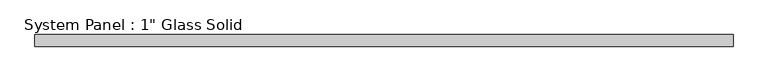
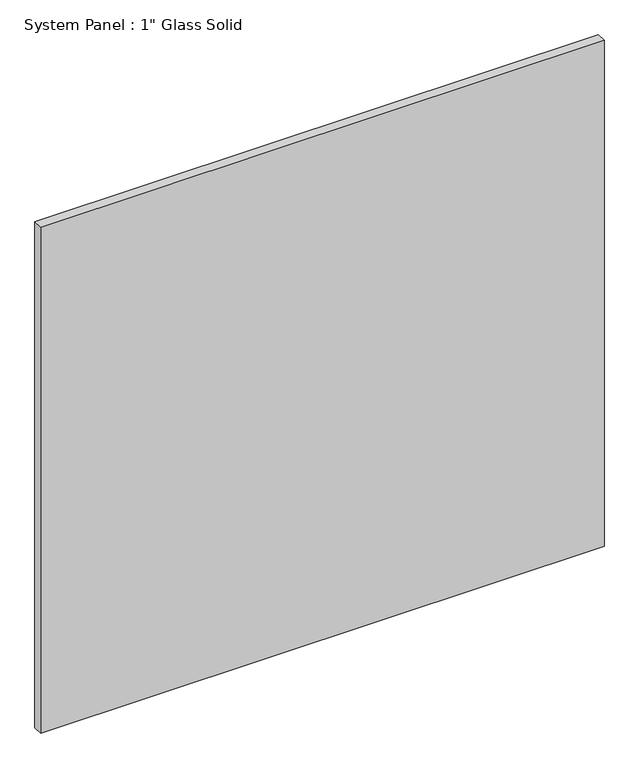
"""IFC4 building model written with IfcOpenShell, lengths in millimetres: plate geometry."""

import ifcopenshell
import ifcopenshell.guid

model = None  # the IFC model being written
_history = None  # IfcOwnerHistory: only IFC2X3 demands one
_inside = {}  # id of a spatial element -> (the spatial element, [elements in it])
_under = {}  # id of a project, library or spatial element -> (it, [spatial elements below it])
_declared = {}  # id of a project -> (the project, [libraries it declares])
_typed = {}  # id of a type object -> (the type object, [elements of that type])
_made_of = {}  # id of a material, layer set ... -> (it, [elements and type objects made of it])


def new_model(schema):
    """Start an empty IFC model of exactly this schema.

    Asked for "IFC4X3", IfcOpenShell would pick the latest addendum, in which some entities
    have other attributes; the version numbers below select the first issue.
    IFC2X3 requires an IfcOwnerHistory on every rooted entity: one is made here for all.
    """
    global model, _history
    if schema == "IFC4X3":
        model = ifcopenshell.file(schema_version=(4, 3, 0, 0))
    else:
        model = ifcopenshell.file(schema=schema)
    _inside.clear()
    _under.clear()
    _declared.clear()
    _typed.clear()
    _made_of.clear()
    _history = None
    if model.schema == "IFC2X3":
        org = make("IfcOrganization", Name="unknown")
        user = make(
            "IfcPersonAndOrganization",
            ThePerson=make("IfcPerson", FamilyName="unknown"),
            TheOrganization=org,
        )
        app = make(
            "IfcApplication",
            ApplicationDeveloper=org,
            Version="unknown",
            ApplicationFullName="unknown",
            ApplicationIdentifier="unknown",
        )
        _history = make(
            "IfcOwnerHistory",
            OwningUser=user,
            OwningApplication=app,
            ChangeAction="ADDED",
            CreationDate=0,
        )
    return model


def make(cls, **values):
    """One entity of the class cls with the attributes given. An attribute that is None is left unset."""
    return model.create_entity(
        cls, **{name: value for name, value in values.items() if value is not None}
    )


def rooted(cls, **values):
    """An entity with a GlobalId (a new one), such as an element, a storey or a relation."""
    return make(cls, GlobalId=ifcopenshell.guid.new(), OwnerHistory=_history, **values)


def si_unit(unit_type, name, prefix=None):
    """IfcSIUnit, for example si_unit("LENGTHUNIT", "METRE", prefix="MILLI")."""
    return make("IfcSIUnit", UnitType=unit_type, Prefix=prefix, Name=name)


def assignment(units):
    """IfcUnitAssignment: the units of a project."""
    return None if units is None else make("IfcUnitAssignment", Units=units)


def point(xyz):
    """IfcCartesianPoint."""
    return None if xyz is None else make("IfcCartesianPoint", Coordinates=xyz)


def direction(xyz):
    """IfcDirection."""
    return None if xyz is None else make("IfcDirection", DirectionRatios=xyz)


def frame(location, z_axis=None, x_axis=None):
    """IfcAxis2Placement3D, a coordinate frame: its origin and axes. An axis left out is left unset."""
    return make(
        "IfcAxis2Placement3D",
        Location=point(location),
        Axis=direction(z_axis),
        RefDirection=direction(x_axis),
    )


def origin():
    """The frame at (0, 0, 0) with its axes left unset."""
    return frame((0.0, 0.0, 0.0))


def origin_with_axes():
    """The frame at (0, 0, 0) with the z axis (0, 0, 1) and the x axis (1, 0, 0) written out."""
    return frame((0.0, 0.0, 0.0), z_axis=(0.0, 0.0, 1.0), x_axis=(1.0, 0.0, 0.0))


def place(relative_to, where):
    """IfcLocalPlacement: puts the frame where relative to a parent placement (None: the world)."""
    return make(
        "IfcLocalPlacement", PlacementRelTo=relative_to, RelativePlacement=where
    )


def context(
    kind, dimensions, precision=None, world=None, true_north=None, identifier=None
):
    """IfcGeometricRepresentationContext, for example the 3D "Model" context."""
    return make(
        "IfcGeometricRepresentationContext",
        ContextIdentifier=identifier,
        ContextType=kind,
        CoordinateSpaceDimension=dimensions,
        Precision=precision,
        WorldCoordinateSystem=world,
        TrueNorth=true_north,
    )


def project(units=None, contexts=None):
    """IfcProject with its units and contexts."""
    return rooted(
        "IfcProject",
        Name="project",
        RepresentationContexts=contexts,
        UnitsInContext=assignment(units),
    )


def spatial(cls, under=None, at=None, **own):
    """A site, building, storey or space (cls), placed at a placement, below another one or the project."""
    s = rooted(cls, ObjectPlacement=at, **own)
    if under is not None:
        _under.setdefault(under.id(), (under, []))[1].append(s)
    return s


def polyline(points):
    """IfcPolyline through the points."""
    return make("IfcPolyline", Points=[point(p) for p in points])


def outline(outer, holes=None, kind="AREA"):
    """IfcArbitraryClosedProfileDef: a profile drawn as a closed curve; with holes, ...WithVoids."""
    if holes is None:
        return make("IfcArbitraryClosedProfileDef", ProfileType=kind, OuterCurve=outer)
    return make(
        "IfcArbitraryProfileDefWithVoids",
        ProfileType=kind,
        OuterCurve=outer,
        InnerCurves=holes,
    )


def extrude(swept, where, along, depth):
    """IfcExtrudedAreaSolid: the profile swept, set in the frame where, extruded along a direction by depth."""
    return make(
        "IfcExtrudedAreaSolid",
        SweptArea=swept,
        Position=where,
        ExtrudedDirection=direction(along),
        Depth=depth,
    )


def shape(context_of_items, identifier, shape_type, items):
    """IfcShapeRepresentation: the items that make up one representation, for example the "Body"."""
    return make(
        "IfcShapeRepresentation",
        ContextOfItems=context_of_items,
        RepresentationIdentifier=identifier,
        RepresentationType=shape_type,
        Items=items,
    )


def source(mapping_origin, context_of_items, identifier, shape_type, items):
    """IfcRepresentationMap: a shape defined once, which mapped items show again and again."""
    return make(
        "IfcRepresentationMap",
        MappingOrigin=mapping_origin,
        MappedRepresentation=shape(context_of_items, identifier, shape_type, items),
    )


def transform(
    local_origin,
    x_axis=None,
    y_axis=None,
    z_axis=None,
    scale=None,
    scale2=None,
    scale3=None,
    uniform=True,
):
    """IfcCartesianTransformationOperator3D, or its non-uniform kind. x_axis, y_axis, z_axis: its Axis1, 2, 3."""
    if uniform:
        return make(
            "IfcCartesianTransformationOperator3D",
            Axis1=direction(x_axis),
            Axis2=direction(y_axis),
            LocalOrigin=point(local_origin),
            Scale=scale,
            Axis3=direction(z_axis),
        )
    return make(
        "IfcCartesianTransformationOperator3DnonUniform",
        Axis1=direction(x_axis),
        Axis2=direction(y_axis),
        LocalOrigin=point(local_origin),
        Scale=scale,
        Axis3=direction(z_axis),
        Scale2=scale2,
        Scale3=scale3,
    )


def mapped(mapping_source, mapping_target):
    """IfcMappedItem: shows the shape of a source again, moved by a transform."""
    return make(
        "IfcMappedItem", MappingSource=mapping_source, MappingTarget=mapping_target
    )


def made_of(thing, what):
    """Note that an element or type object is made of a material, layer set ...; save() writes the relation."""
    if what is not None:
        _made_of.setdefault(what.id(), (what, []))[1].append(thing)
    return thing


def element(
    cls,
    number,
    at=None,
    inside=None,
    cuts=None,
    type_object=None,
    material=None,
    context=None,
    identifier="Body",
    shape_type=None,
    held_by="IfcProductDefinitionShape",
    body=None,
    shapes=None,
    **own,
):
    """One element of the class cls, such as IfcWall. Its Tag is "e" and its number.

    at: its placement. inside: the storey or other place that contains it. cuts: it is an
    opening in that element (IfcRelVoidsElement). A single representation is given by context,
    identifier, shape_type and body (its items); several are given by shapes. held_by: the class
    of the entity that holds the representations. save() writes the other relations.
    """
    e = rooted(cls, Tag="e%d" % number, ObjectPlacement=at, **own)
    if body is not None:
        shapes = [shape(context, identifier, shape_type, body)]
    if shapes is not None:
        e.Representation = make(held_by, Representations=shapes)
    if inside is not None:
        _inside.setdefault(inside.id(), (inside, []))[1].append(e)
    if cuts is not None:
        rooted(
            "IfcRelVoidsElement", RelatingBuildingElement=cuts, RelatedOpeningElement=e
        )
    if type_object is not None:
        _typed.setdefault(type_object.id(), (type_object, []))[1].append(e)
    return made_of(e, material)


def aggregate(whole, parts):
    """IfcRelAggregates: a whole, such as a stair, and the parts it consists of."""
    return rooted("IfcRelAggregates", RelatingObject=whole, RelatedObjects=parts)


def save(model, path):
    """Write the relations noted so far, then the file.

    IfcRelAggregates (storeys below a building ...), IfcRelContainedInSpatialStructure (elements
    in a storey), IfcRelDefinesByType, IfcRelAssociatesMaterial and IfcRelDeclares: one each for
    every whole, place, type object, material and project.
    """
    for whole, parts in _under.values():
        aggregate(whole, parts)
    for where, things in _inside.values():
        rooted(
            "IfcRelContainedInSpatialStructure",
            RelatedElements=things,
            RelatingStructure=where,
        )
    for kind, things in _typed.values():
        rooted("IfcRelDefinesByType", RelatedObjects=things, RelatingType=kind)
    for what, things in _made_of.values():
        rooted("IfcRelAssociatesMaterial", RelatedObjects=things, RelatingMaterial=what)
    for by, libraries in _declared.values():
        rooted("IfcRelDeclares", RelatingContext=by, RelatedDefinitions=libraries)
    model.write(path)


def plate_fe4c26e0(model_context):
    return source(origin(), model_context, "Body", "SweptSolid", [
        extrude(outline(polyline([(734.4842185, -12.7), (-734.4842185, -12.7), (-734.4842185, 12.7), (734.4842185, 12.7), (734.4842185, -12.7)])), origin_with_axes(), (0.0, 0.0, 1.0), 1394.5741382),
    ])


if __name__ == "__main__":
    model = new_model("IFC4")
    model_context = context("Model", 3, world=origin())
    ifc_project = project(units=[si_unit("LENGTHUNIT", "METRE", prefix="MILLI")], contexts=[model_context])
    site = spatial("IfcSite", under=ifc_project)
    building = spatial("IfcBuilding", under=site)
    placement = place(None, origin())
    plate_shape = plate_fe4c26e0(model_context)
    element("IfcPlate", 1, ObjectType="System Panel : 1\" Glass Solid", at=placement, inside=building, context=model_context, shape_type="MappedRepresentation", body=[
        mapped(plate_shape, transform((0.0, 0.0, 0.0), x_axis=(1.0, 0.0, 0.0), y_axis=(0.0, 1.0, 0.0), z_axis=(0.0, 0.0, 1.0))),
    ])
    save(model, "model.ifc")
